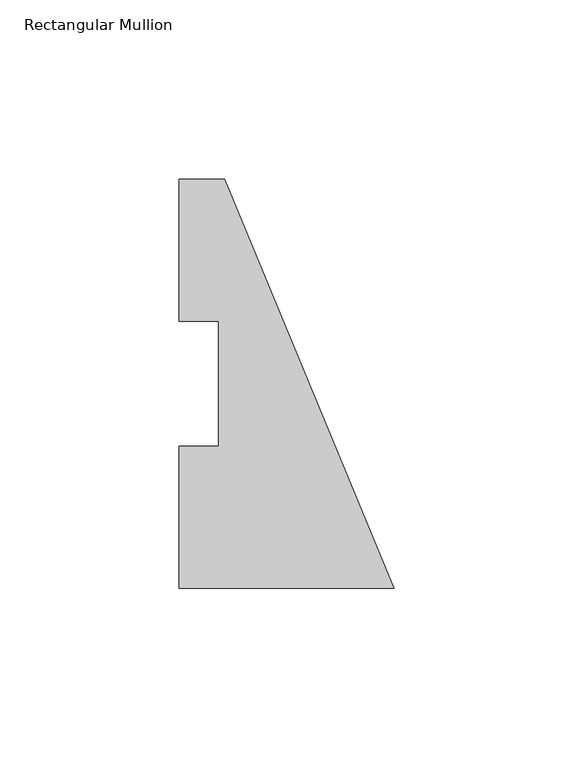
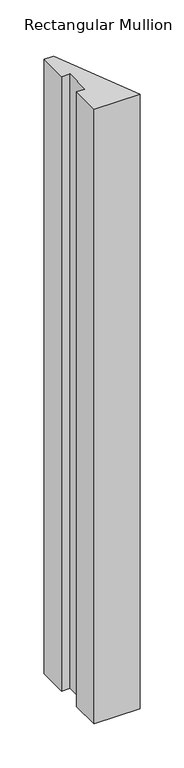
"""IFC4 building model written with IfcOpenShell, lengths in millimetres: member geometry, Rectangular Mullion."""

from ifc_helpers import new_model, si_unit, frame, origin, place, context, project, spatial, polyline, outline, extrude, source, transform, mapped, element, save


def rectangular_mullion_7278a442(model_context):
    return source(origin(), model_context, "Body", "SweptSolid", [
        extrude(outline(polyline([(-60.0456, -0.028575), (-60.0456, 39.646225), (-48.9331, 39.646225), (-48.9331, 74.596625), (-60.0456, 74.596625), (-60.0456, 114.271425), (-47.3446102, 114.271425), (0.0, -0.028575), (-60.0456, -0.028575)])), frame((0.0, 0.0, -850.9), z_axis=(0.0, 0.0, 1.0), x_axis=(1.0, 0.0, 0.0)), (0.0, 0.0, 1.0), 850.9),
    ])


if __name__ == "__main__":
    model = new_model("IFC4")
    model_context = context("Model", 3, world=origin())
    ifc_project = project(units=[si_unit("LENGTHUNIT", "METRE", prefix="MILLI")], contexts=[model_context])
    site = spatial("IfcSite", under=ifc_project)
    building = spatial("IfcBuilding", under=site)
    placement = place(None, origin())
    rectangular_mullion_shape = rectangular_mullion_7278a442(model_context)
    element("IfcMember", 1, ObjectType="Rectangular Mullion", at=placement, inside=building, context=model_context, shape_type="MappedRepresentation", body=[
        mapped(rectangular_mullion_shape, transform((0.0, 0.0, 0.0), x_axis=(1.0, 0.0, 0.0), y_axis=(0.0, 1.0, 0.0), z_axis=(0.0, 0.0, 1.0))),
    ])
    save(model, "model.ifc")
